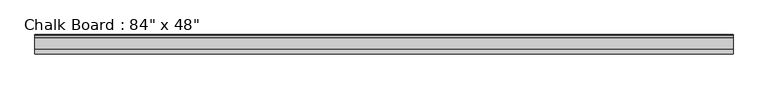
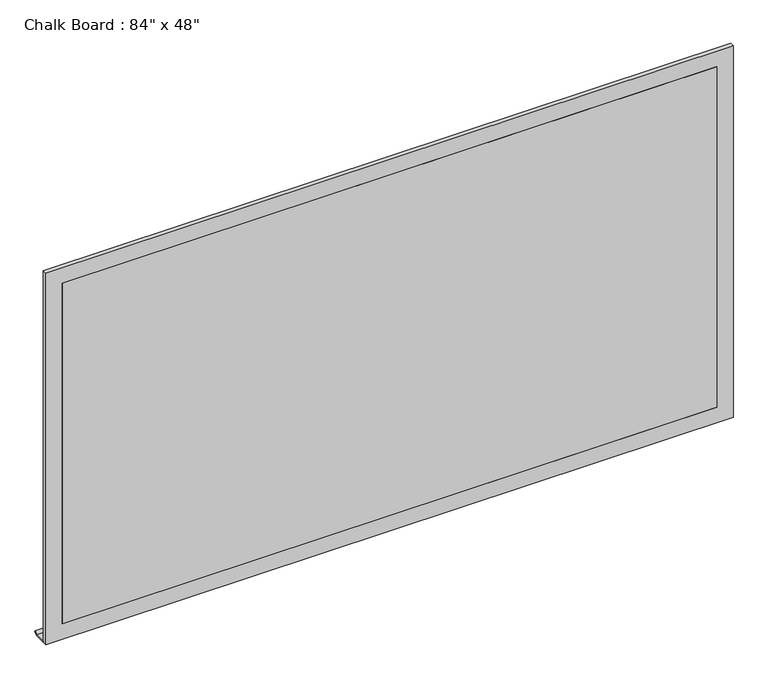
"""IFC4 building model written with IfcOpenShell, lengths in millimetres: proxy geometry."""

from ifc_helpers import new_model, si_unit, frame, origin, place, context, project, spatial, polyline, outline, extrude, source, transform, mapped, element, save


def proxy_4d48baac(model_context):
    return source(origin(), model_context, "Body", "SweptSolid", [
        extrude(outline(polyline([(217.7999183, 685.9677599), (180.975, 685.9677599), (180.975, 689.2806122), (216.6556303, 689.2806122), (224.5516043, 697.1765861), (226.7801744, 694.948016), (217.7999183, 685.9677599)])), frame((-1163.7484337, 0.0, 0.0), z_axis=(1.0, 0.0, 0.0), x_axis=(0.0, 1.0, 0.0)), (0.0, 0.0, 1.0), 2133.6),
        extrude(outline(polyline([(-1112.9484337, 174.625), (919.0515663, 174.625), (919.0515663, 168.275), (-1112.9484337, 168.275), (-1112.9484337, 174.625)])), frame((0.0, 0.0, 736.6), z_axis=(0.0, 0.0, 1.0), x_axis=(1.0, 0.0, 0.0)), (0.0, 0.0, 1.0), 1117.6),
        extrude(outline(polyline([(1905.0, -1163.7484337), (685.8, -1163.7484337), (685.8, 969.8515663), (1905.0, 969.8515663), (1905.0, -1163.7484337)]), holes=[polyline([(1854.2, -1112.9484337), (1854.2, 919.0515663), (736.6, 919.0515663), (736.6, -1112.9484337), (1854.2, -1112.9484337)])]), frame((0.0, 168.275, 0.0), z_axis=(0.0, 1.0, 0.0), x_axis=(0.0, 0.0, 1.0)), (0.0, 0.0, 1.0), 12.7),
    ])


if __name__ == "__main__":
    model = new_model("IFC4")
    model_context = context("Model", 3, world=origin())
    ifc_project = project(units=[si_unit("LENGTHUNIT", "METRE", prefix="MILLI")], contexts=[model_context])
    site = spatial("IfcSite", under=ifc_project)
    building = spatial("IfcBuilding", under=site)
    placement = place(None, origin())
    proxy_shape = proxy_4d48baac(model_context)
    element("IfcBuildingElementProxy", 1, Name="Chalk Board : 84\" x 48\"", ObjectType="Chalk Board : 84\" x 48\"", at=placement, inside=building, context=model_context, shape_type="MappedRepresentation", body=[
        mapped(proxy_shape, transform((0.0, 0.0, 0.0), x_axis=(1.0, 0.0, 0.0), y_axis=(0.0, 1.0, 0.0), z_axis=(0.0, 0.0, 1.0))),
    ])
    save(model, "model.ifc")
